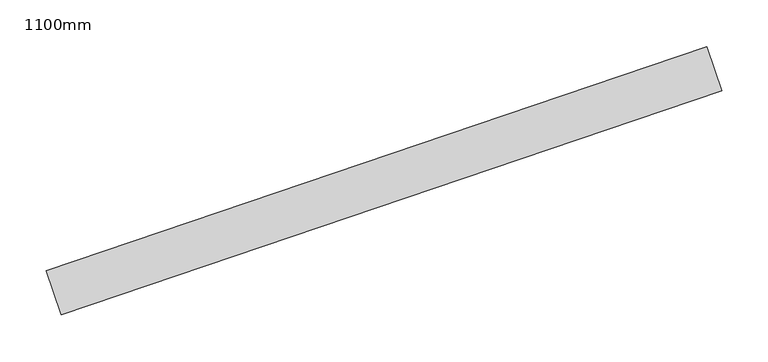
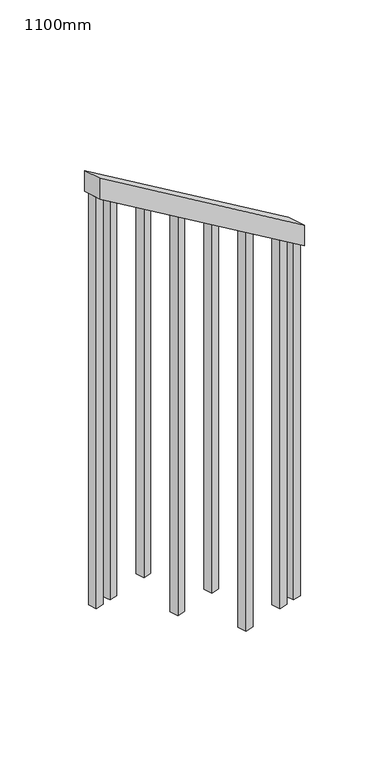
"""IFC4 building model written with IfcOpenShell, lengths in millimetres: railing geometry, 1100mm."""

from ifc_helpers import new_model, si_unit, frame, origin, place, context, project, spatial, polyline, outline, extrude, source, transform, mapped, element, save


def railing_1100mm_4c5cbe0f(model_context):
    return source(origin(), model_context, "Body", "SweptSolid", [
        extrude(outline(polyline([(-35.5555555, -50.0), (0.0, 0.0), (920.2958461, 0.0), (884.7402906, -50.0), (-35.5555555, -50.0)])), frame((290450.1321924, 7431.4406392, 1277.7777778), z_axis=(-0.32200280853102536, 0.9467387133196423, 0.0), x_axis=(-0.7715497553952967, -0.2624179033384804, 0.5795237863598817)), (0.0, 0.0, 1.0), 50.0),
        extrude(outline(polyline([(108.8888889, 0.0), (91.1111112, 25.0), (1271.980277, 25.0), (1271.980277, 0.0), (108.8888889, 0.0)])), frame((289807.0585258, 7225.9229774, 1805.3136103), z_axis=(-0.32200280853103236, 0.94673871331964, 0.0), x_axis=(0.0, 0.0, -1.0)), (0.0, 0.0, 1.0), 25.0),
        extrude(outline(polyline([(108.8888889, 0.0), (91.1111111, 25.0000001), (1183.0913881, 25.0000001), (1183.0913881, 0.0), (108.8888889, 0.0)])), frame((289925.400865, 7266.1733285, 1716.4247214), z_axis=(-0.32200280853103236, 0.94673871331964, 0.0), x_axis=(0.0, 0.0, -1.0)), (0.0, 0.0, 1.0), 25.0),
        extrude(outline(polyline([(108.8888889, 0.0), (91.1111111, 25.0), (1271.9802769, 25.0), (1271.9802769, 0.0), (108.8888889, 0.0)])), frame((290043.7432041, 7306.4236795, 1627.5358325), z_axis=(-0.32200280853103236, 0.94673871331964, 0.0), x_axis=(0.0, 0.0, -1.0)), (0.0, 0.0, 1.0), 25.0),
        extrude(outline(polyline([(108.8888889, 0.0), (91.1111111, 25.0), (1183.091388, 25.0), (1183.091388, 0.0), (108.8888889, 0.0)])), frame((290162.0855433, 7346.6740306, 1538.6469436), z_axis=(-0.32200280853103236, 0.94673871331964, 0.0), x_axis=(0.0, 0.0, -1.0)), (0.0, 0.0, 1.0), 25.0),
        extrude(outline(polyline([(108.8888889, 0.0), (91.1111111, 25.0000001), (1271.9802769, 25.0000001), (1271.9802769, 0.0), (108.8888889, 0.0)])), frame((290280.4278825, 7386.9243817, 1449.7580547), z_axis=(-0.32200280853103236, 0.94673871331964, 0.0), x_axis=(0.0, 0.0, -1.0)), (0.0, 0.0, 1.0), 25.0),
        extrude(outline(polyline([(108.8888889, 0.0), (91.1111111, 25.0), (1183.091388, 25.0), (1183.091388, 0.0), (108.8888889, 0.0)])), frame((290398.7702216, 7427.1747327, 1360.8691658), z_axis=(-0.32200280853103236, 0.94673871331964, 0.0), x_axis=(0.0, 0.0, -1.0)), (0.0, 0.0, 1.0), 25.0),
        extrude(outline(polyline([(108.8888889, 0.0), (91.1111111, 25.0), (1307.5358325, 25.0), (1307.5358325, 0.0), (108.8888889, 0.0)])), frame((289759.7215901, 7209.822837, 1840.8691658), z_axis=(-0.32200280853103236, 0.94673871331964, 0.0), x_axis=(0.0, 0.0, -1.0)), (0.0, 0.0, 1.0), 25.0),
        extrude(outline(polyline([(108.8888889, 0.0), (91.1111112, 25.0), (1147.5358325, 25.0), (1147.5358325, 0.0), (108.8888889, 0.0)])), frame((290446.1071573, 7443.2748732, 1325.3136103), z_axis=(-0.32200280853103236, 0.94673871331964, 0.0), x_axis=(0.0, 0.0, -1.0)), (0.0, 0.0, 1.0), 25.0),
    ])


if __name__ == "__main__":
    model = new_model("IFC4")
    model_context = context("Model", 3, world=origin())
    ifc_project = project(units=[si_unit("LENGTHUNIT", "METRE", prefix="MILLI")], contexts=[model_context])
    site = spatial("IfcSite", under=ifc_project)
    building = spatial("IfcBuilding", under=site)
    placement = place(None, origin())
    railing_1100mm_shape = railing_1100mm_4c5cbe0f(model_context)
    element("IfcRailing", 1, ObjectType="1100mm", at=placement, inside=building, context=model_context, shape_type="MappedRepresentation", body=[
        mapped(railing_1100mm_shape, transform((0.0, 0.0, 0.0), x_axis=(1.0, 0.0, 0.0), y_axis=(0.0, 1.0, 0.0), z_axis=(0.0, 0.0, 1.0))),
    ])
    save(model, "model.ifc")
